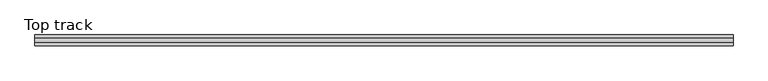
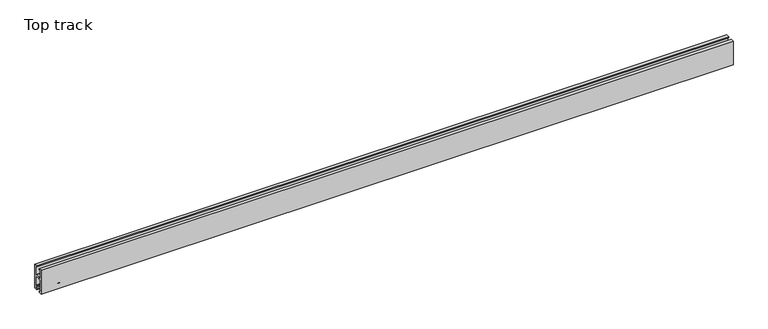
"""IFC4 building model written with IfcOpenShell, lengths in millimetres: proxy geometry, Top track."""

from ifc_helpers import new_model, si_unit, point, frame, frame_2d, origin, place, context, project, spatial, polyline, circle_curve, trimmed, segment, composite_curve, outline, extrude, source, transform, mapped, element, save


def top_track_dcb1d233(model_context):
    return source(origin(), model_context, "Body", "SweptSolid", [
        extrude(outline(polyline([(25.5, 66.0), (25.5, 15.5), (20.0, 15.5), (20.0, 16.5287081), (24.5, 16.5287081), (24.5, 66.1316525), (25.9646369, 71.5977519), (26.9999131, 71.5977519), (25.5, 66.0)])), frame((0.0, -8.5, 0.0), z_axis=(0.0, 1.0, 0.0), x_axis=(0.0, 0.0, 1.0)), (0.0, 0.0, 1.0), 17.0),
        extrude(outline(composite_curve([segment(trimmed(circle_curve(frame_2d((24.2, 0.0)), 3.0), [point((27.2, 0.0))], [point((21.2, 0.0))], False, "CARTESIAN"), True, "CONTINUOUS"), segment(trimmed(circle_curve(frame_2d((24.2, 0.0)), 3.0), [point((21.2, 0.0))], [point((27.2, 0.0))], False, "CARTESIAN"), True, "CONTINUOUS")], self_intersect=False)), frame((0.0, 0.0, 20.0), z_axis=(0.0, 0.0, 1.0), x_axis=(1.0, 0.0, 0.0)), (0.0, 0.0, 1.0), 15.7),
        extrude(outline(composite_curve([segment(trimmed(circle_curve(frame_2d((34.2, 0.0)), 3.0), [point((37.2, 0.0))], [point((31.2, 0.0))], False, "CARTESIAN"), True, "CONTINUOUS"), segment(trimmed(circle_curve(frame_2d((34.2, 0.0)), 3.0), [point((31.2, 0.0))], [point((37.2, 0.0))], False, "CARTESIAN"), True, "CONTINUOUS")], self_intersect=False)), frame((0.0, 0.0, 20.0), z_axis=(0.0, 0.0, 1.0), x_axis=(1.0, 0.0, 0.0)), (0.0, 0.0, 1.0), 15.7),
        extrude(outline(composite_curve([segment(trimmed(circle_curve(frame_2d((44.2, 0.0)), 3.0), [point((47.2, 0.0))], [point((41.2, 0.0))], False, "CARTESIAN"), True, "CONTINUOUS"), segment(trimmed(circle_curve(frame_2d((44.2, 0.0)), 3.0), [point((41.2, 0.0))], [point((47.2, 0.0))], False, "CARTESIAN"), True, "CONTINUOUS")], self_intersect=False)), frame((0.0, 0.0, 20.0), z_axis=(0.0, 0.0, 1.0), x_axis=(1.0, 0.0, 0.0)), (0.0, 0.0, 1.0), 15.7),
        extrude(outline(composite_curve([segment(trimmed(circle_curve(frame_2d((0.0, 10.7221855)), 6.1947208), [point((-6.1947208, 10.7221855))], [point((6.1947208, 10.7221855))], False, "CARTESIAN"), True, "CONTINUOUS"), segment(trimmed(circle_curve(frame_2d((0.0, 10.7221855)), 6.1947208), [point((6.1947208, 10.7221855))], [point((-6.1947208, 10.7221855))], False, "CARTESIAN"), True, "CONTINUOUS")], self_intersect=False)), frame((54.2, 0.0, 0.0), z_axis=(1.0, 0.0, 0.0), x_axis=(0.0, 1.0, 0.0)), (0.0, 0.0, 1.0), 6.0),
        extrude(outline(polyline([(13.0, 8.5), (54.2, 8.5), (54.2, -8.5), (13.0, -8.5), (13.0, 8.5)])), frame((0.0, 0.0, 3.0), z_axis=(0.0, 0.0, 1.0), x_axis=(1.0, 0.0, 0.0)), (0.0, 0.0, 1.0), 17.0),
        extrude(outline(polyline([(-15.0, 71.0), (-7.0, 71.0), (-7.0, 68.0), (-12.0, 68.0), (-12.0, 41.4987449), (-5.9983584, 41.4987449), (-5.9983584, 44.4974898), (7.0, 44.4974898), (7.0, 41.4987449), (12.0, 41.4987449), (12.0, 68.0), (7.0, 68.0), (7.0, 71.0), (15.0, 71.0), (15.0, 0.0), (7.0, 0.0), (7.0, 3.0), (12.0, 3.0), (12.0, 8.4), (8.5, 8.4), (8.5, 9.9), (12.0, 9.9), (12.0, 38.4987449), (4.0, 38.4987449), (4.0, 41.4987449), (-2.9983584, 41.4987449), (-2.9983584, 38.4987449), (-12.0, 38.4987449), (-12.0, 9.9), (-8.5, 9.9), (-8.5, 8.4), (-12.0, 8.4), (-12.0, 3.0), (-7.0, 3.0), (-7.0, 0.0), (-15.0, 0.0), (-15.0, 71.0)])), frame((0.0, 0.0, 0.0), z_axis=(1.0, 0.0, 0.0), x_axis=(0.0, 1.0, 0.0)), (0.0, 0.0, 1.0), 1950.0),
    ])


if __name__ == "__main__":
    model = new_model("IFC4")
    model_context = context("Model", 3, world=origin())
    ifc_project = project(units=[si_unit("LENGTHUNIT", "METRE", prefix="MILLI")], contexts=[model_context])
    site = spatial("IfcSite", under=ifc_project)
    building = spatial("IfcBuilding", under=site)
    placement = place(None, origin())
    top_track_shape = top_track_dcb1d233(model_context)
    element("IfcBuildingElementProxy", 1, Name="Top track", ObjectType="Top track", at=placement, inside=building, context=model_context, shape_type="MappedRepresentation", body=[
        mapped(top_track_shape, transform((0.0, 0.0, 0.0), x_axis=(1.0, 0.0, 0.0), y_axis=(0.0, 1.0, 0.0), z_axis=(0.0, 0.0, 1.0))),
    ])
    save(model, "model.ifc")
